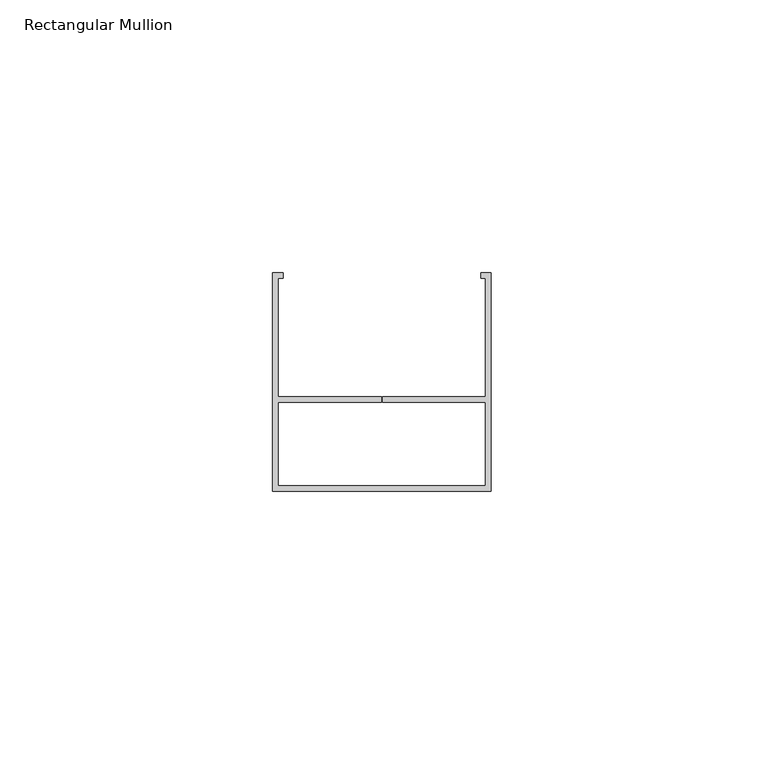
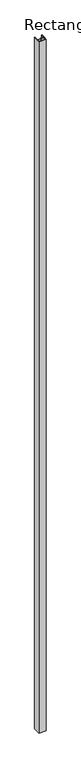
"""IFC4 building model written with IfcOpenShell, lengths in millimetres: member geometry, Rectangular Mullion."""

from ifc_helpers import new_model, si_unit, frame, origin, place, context, project, spatial, polyline, outline, extrude, source, transform, mapped, element, save


def rectangular_mullion_96ee45a6(model_context):
    return source(origin(), model_context, "Body", "SweptSolid", [
        extrude(outline(polyline([(-40.0, -20.0), (-40.0, 20.0), (-38.1456638, 20.0), (-38.1456638, 19.0), (-39.0, 19.0), (-39.0, -2.6912936), (-20.0934793, -2.6912936), (-20.0934793, -3.6912936), (-39.0, -3.6912936), (-39.0, -19.0), (-1.0, -19.0), (-1.0, -3.6912936), (-19.9059793, -3.6912936), (-19.9059793, -2.6912936), (-1.0, -2.6912936), (-1.0, 19.0), (-1.878753, 19.0), (-1.878753, 20.0), (0.0, 20.0), (0.0, -20.0), (-40.0, -20.0)])), frame((0.0, 0.0, -4000.0), z_axis=(0.0, 0.0, 1.0), x_axis=(1.0, 0.0, 0.0)), (0.0, 0.0, 1.0), 4000.0),
    ])


if __name__ == "__main__":
    model = new_model("IFC4")
    model_context = context("Model", 3, world=origin())
    ifc_project = project(units=[si_unit("LENGTHUNIT", "METRE", prefix="MILLI")], contexts=[model_context])
    site = spatial("IfcSite", under=ifc_project)
    building = spatial("IfcBuilding", under=site)
    placement = place(None, origin())
    rectangular_mullion_shape = rectangular_mullion_96ee45a6(model_context)
    element("IfcMember", 1, ObjectType="Rectangular Mullion", at=placement, inside=building, context=model_context, shape_type="MappedRepresentation", body=[
        mapped(rectangular_mullion_shape, transform((0.0, 0.0, 0.0), x_axis=(1.0, 0.0, 0.0), y_axis=(0.0, 1.0, 0.0), z_axis=(0.0, 0.0, 1.0))),
    ])
    save(model, "model.ifc")
